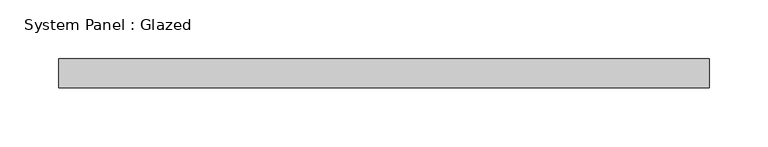
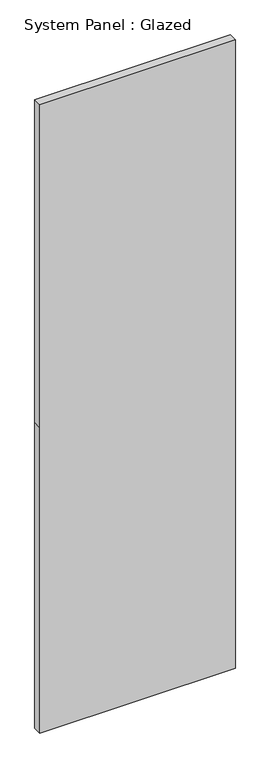
"""IFC4 building model written with IfcOpenShell, lengths in millimetres: plate geometry, System Panel : Glazed."""

from ifc_helpers import new_model, si_unit, frame, origin, place, context, project, spatial, polyline, outline, extrude, source, transform, mapped, element, save


def system_panel_glazed_db5fba3c(model_context):
    return source(origin(), model_context, "Body", "SweptSolid", [
        extrude(outline(polyline([(0.0, -277.5), (0.0, 277.5), (916.6666667, 277.5), (1885.0, 277.5), (1885.0, -277.5), (916.6666667, -277.5), (0.0, -277.5)])), frame((0.0, -49.5, 0.0), z_axis=(0.0, 1.0, 0.0), x_axis=(0.0, 0.0, 1.0)), (0.0, 0.0, 1.0), 25.0),
    ])


if __name__ == "__main__":
    model = new_model("IFC4")
    model_context = context("Model", 3, world=origin())
    ifc_project = project(units=[si_unit("LENGTHUNIT", "METRE", prefix="MILLI")], contexts=[model_context])
    site = spatial("IfcSite", under=ifc_project)
    building = spatial("IfcBuilding", under=site)
    placement = place(None, origin())
    system_panel_glazed_shape = system_panel_glazed_db5fba3c(model_context)
    element("IfcPlate", 1, ObjectType="System Panel : Glazed", at=placement, inside=building, context=model_context, shape_type="MappedRepresentation", body=[
        mapped(system_panel_glazed_shape, transform((0.0, 0.0, 0.0), x_axis=(1.0, 0.0, 0.0), y_axis=(0.0, 1.0, 0.0), z_axis=(0.0, 0.0, 1.0))),
    ])
    save(model, "model.ifc")
